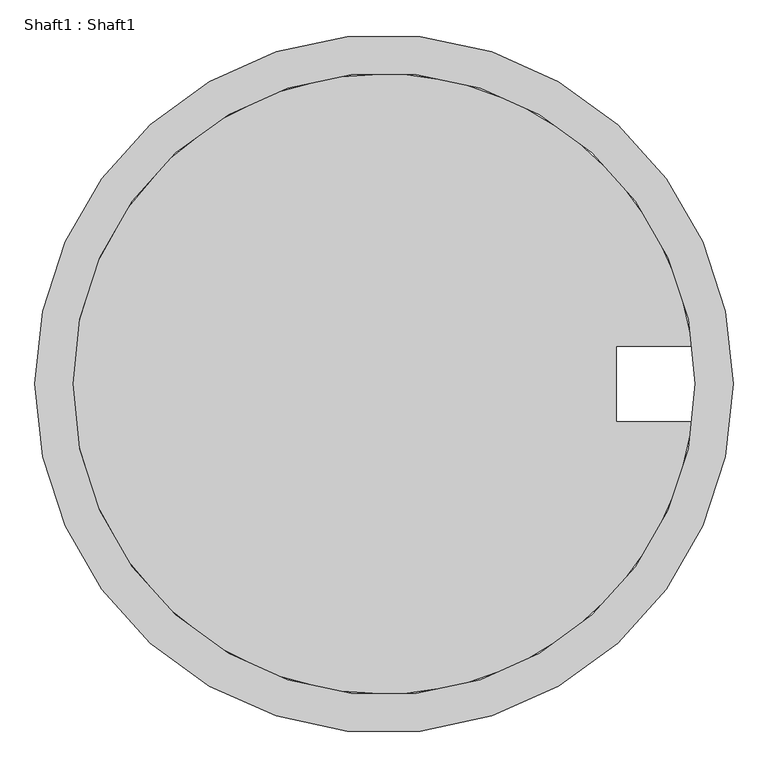
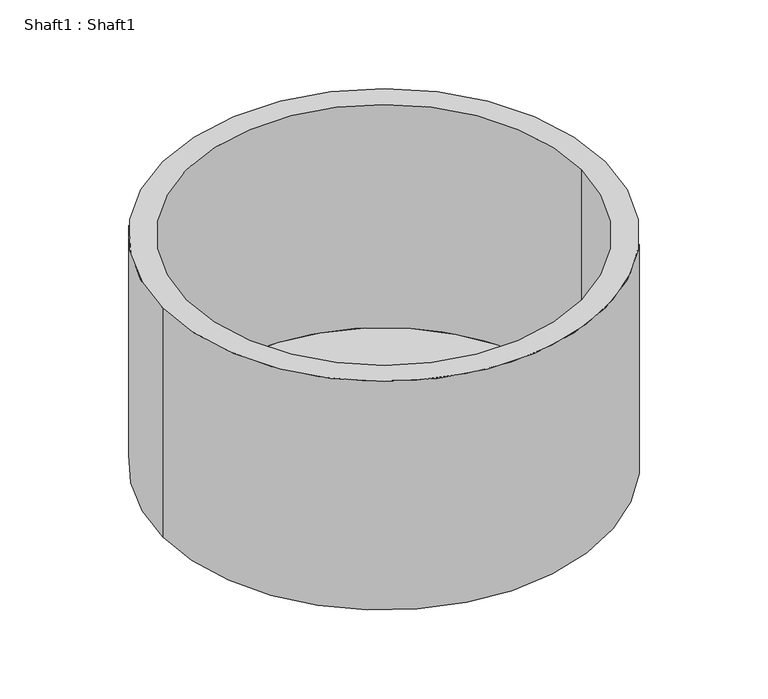
"""IFC4 building model written with IfcOpenShell, lengths in millimetres: proxy geometry, Shaft1 : Shaft1."""

from ifc_helpers import new_model, si_unit, frame, origin, place, context, project, spatial, polyline, circle_curve, source, transform, mapped, element, save
from ifc_brep_helpers import plane_surface, cylinder_surface, revolved_surface, advanced_brep


def shaft1_shaft1_cdcafa1e(model_context):
    return source(origin(), model_context, "Body", "AdvancedBrep", [
        advanced_brep(
        [(7313.8, 3656.9, 0.0), (7313.8, 3656.9, 4000.0), (0.0, 3656.9, 4000.0), (0.0, 3656.9, 0.0), (6913.8, 3656.9, 0.0), (6913.8, 3656.9, 4000.0), (400.0, 3656.9, 4000.0), (400.0, 3656.9, 100.0), (6889.511198, 4053.9169422, 100.0), (6889.511198, 4053.9169422, 0.0), (6089.511198, 4053.9169422, 100.0), (6089.511198, 3259.8830578, 100.0), (6089.511198, 3259.8830578, 0.0), (6089.511198, 4053.9169422, 0.0), (6889.511198, 3259.8830578, 100.0), (6889.511198, 3259.8830578, 0.0)],
        [
            (0, 1),
            (1, 2, circle_curve(frame((3656.9, 3656.9, 4000.0), z_axis=(0.0, 0.0, -1.0), x_axis=(1.0, 0.0, 0.0)), 3656.9)),
            (2, 3),
            (3, 0, circle_curve(frame((3656.9, 3656.9, 0.0), z_axis=(0.0, 0.0, 1.0), x_axis=(1.0, 0.0, 0.0)), 3656.9)),
            (4, 5),
            (5, 6, circle_curve(frame((3656.9, 3656.9, 4000.0), z_axis=(0.0, 0.0, 1.0), x_axis=(1.0, 0.0, 0.0)), 3256.9)),
            (6, 7),
            (7, 8, circle_curve(frame((3656.9, 3656.9, 100.0), z_axis=(0.0, 0.0, -1.0), x_axis=(1.0, 0.0, 0.0)), 3256.9)),
            (8, 9),
            (9, 4, circle_curve(frame((3656.9, 3656.9, 0.0), z_axis=(0.0, 0.0, -1.0), x_axis=(1.0, 0.0, 0.0)), 3256.9)),
            (10, 11),
            (11, 12),
            (12, 13),
            (13, 10),
            (8, 10),
            (13, 9),
            (11, 14),
            (14, 15),
            (15, 12),
            (7, 14, circle_curve(frame((3656.9, 3656.9, 100.0), z_axis=(0.0, 0.0, 1.0), x_axis=(1.0, 0.0, 0.0)), 3256.9)),
            (1, 2, circle_curve(frame((3656.9, 3656.9, 4000.0), z_axis=(0.0, 0.0, 1.0), x_axis=(1.0, 0.0, 0.0)), 3656.9)),
            (5, 6, circle_curve(frame((3656.9, 3656.9, 4000.0), z_axis=(0.0, 0.0, -1.0), x_axis=(1.0, 0.0, 0.0)), 3256.9)),
            (4, 15, circle_curve(frame((3656.9, 3656.9, 0.0), z_axis=(0.0, 0.0, -1.0), x_axis=(1.0, 0.0, 0.0)), 3256.9)),
            (3, 0, circle_curve(frame((3656.9, 3656.9, 0.0), z_axis=(0.0, 0.0, -1.0), x_axis=(1.0, 0.0, 0.0)), 3656.9)),
        ],
        [
            cylinder_surface(frame((3656.9, 3656.9, 2000.0), z_axis=(0.0, 0.0, 1.0), x_axis=(1.0, 0.0, 0.0)), 3656.9),
            revolved_surface(polyline([(6913.8, 3656.9, 4000.0), (6913.8, 3656.9, 0.0)]), (3656.9, 3656.9, 2000.0), (0.0, 0.0, 1.0)),
            plane_surface(frame((6089.511198, 3656.9, 100.0), z_axis=(1.0, 0.0, 0.0), x_axis=(0.0, 0.0, -1.0))),
            plane_surface(frame((6489.511198, 4053.9169422, 100.0), z_axis=(0.0, -1.0, 0.0), x_axis=(0.0, 0.0, -1.0))),
            plane_surface(frame((6489.511198, 3259.8830578, 100.0), z_axis=(0.0, 1.0, 0.0), x_axis=(0.0, 0.0, 1.0))),
            plane_surface(frame((3656.9, 3656.9, 100.0), z_axis=(0.0, 0.0, 1.0), x_axis=(1.0, 0.0, 0.0))),
            plane_surface(frame((6913.8, 3656.9, 4000.0), z_axis=(0.0, 0.0, 1.0), x_axis=(1.0, 0.0, 0.0))),
            plane_surface(frame((7313.8, 3656.9, 0.0), z_axis=(0.0, 0.0, -1.0), x_axis=(-1.0, 0.0, 0.0))),
        ],
        [
            (0, [[1, 2, 3, 4]]),
            (1, [[5, 6, 7, 8, 9, 10]]),
            (2, [[11, 12, 13, 14]]),
            (3, [[15, -14, 16, -9]]),
            (4, [[17, 18, 19, -12]]),
            (5, [[-17, -11, -15, -8, 20]]),
            (6, [[21, -2], [-6, 22]]),
            (1, [[-5, 23, -18, -20, -7, -22]]),
            (7, [[24, -4], [-23, -10, -16, -13, -19]]),
            (0, [[-1, -24, -3, -21]]),
        ],
    ),
    ])


if __name__ == "__main__":
    model = new_model("IFC4")
    model_context = context("Model", 3, world=origin())
    ifc_project = project(units=[si_unit("LENGTHUNIT", "METRE", prefix="MILLI")], contexts=[model_context])
    site = spatial("IfcSite", under=ifc_project)
    building = spatial("IfcBuilding", under=site)
    placement = place(None, origin())
    shaft1_shaft1_shape = shaft1_shaft1_cdcafa1e(model_context)
    element("IfcBuildingElementProxy", 1, Name="Shaft1 : Shaft1", ObjectType="Shaft1 : Shaft1", at=placement, inside=building, context=model_context, shape_type="MappedRepresentation", body=[
        mapped(shaft1_shaft1_shape, transform((0.0, 0.0, 0.0), x_axis=(1.0, 0.0, 0.0), y_axis=(0.0, 1.0, 0.0), z_axis=(0.0, 0.0, 1.0))),
    ])
    save(model, "model.ifc")
